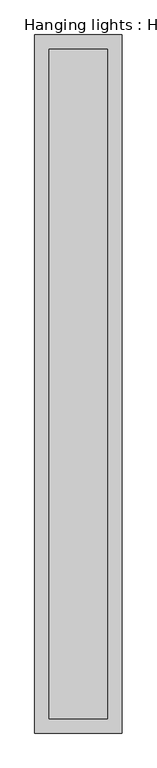
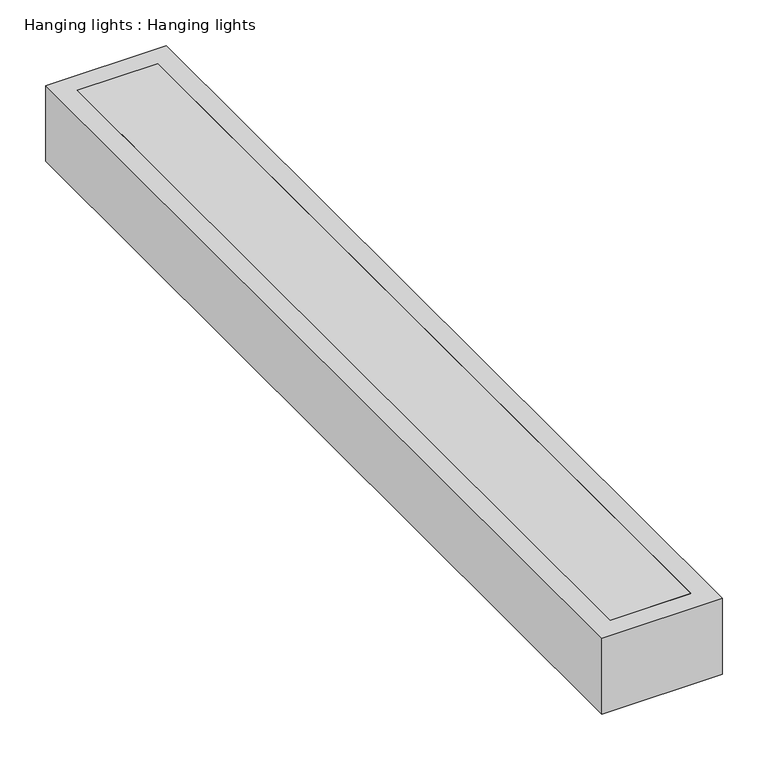
"""IFC4 building model written with IfcOpenShell, lengths in millimetres: proxy geometry, Hanging lights : Hanging lights."""

from ifc_helpers import new_model, si_unit, frame, origin, place, context, project, spatial, polyline, outline, extrude, source, transform, mapped, element, save


def hanging_lights_hanging_lights_f9c73ce3(model_context):
    return source(origin(), model_context, "Body", "SweptSolid", [
        extrude(outline(polyline([(50.8, 1193.8), (50.8, 25.4), (-50.8, 25.4), (-50.8, 1193.8), (50.8, 1193.8)])), frame((0.0, 0.0, 3098.8), z_axis=(0.0, 0.0, 1.0), x_axis=(1.0, 0.0, 0.0)), (0.0, 0.0, 1.0), 50.8),
        extrude(outline(polyline([(76.2, 0.0), (-76.2, 0.0), (-76.2, 1219.2), (76.2, 1219.2), (76.2, 0.0)]), holes=[polyline([(-50.8, 25.4), (50.8, 25.4), (50.8, 1193.8), (-50.8, 1193.8), (-50.8, 25.4)])]), frame((0.0, 0.0, 3048.0), z_axis=(0.0, 0.0, 1.0), x_axis=(1.0, 0.0, 0.0)), (0.0, 0.0, 1.0), 101.6),
    ])


if __name__ == "__main__":
    model = new_model("IFC4")
    model_context = context("Model", 3, world=origin())
    ifc_project = project(units=[si_unit("LENGTHUNIT", "METRE", prefix="MILLI")], contexts=[model_context])
    site = spatial("IfcSite", under=ifc_project)
    building = spatial("IfcBuilding", under=site)
    placement = place(None, origin())
    hanging_lights_hanging_lights_shape = hanging_lights_hanging_lights_f9c73ce3(model_context)
    element("IfcBuildingElementProxy", 1, Name="Hanging lights : Hanging lights", ObjectType="Hanging lights : Hanging lights", at=placement, inside=building, context=model_context, shape_type="MappedRepresentation", body=[
        mapped(hanging_lights_hanging_lights_shape, transform((0.0, 0.0, 0.0), x_axis=(1.0, 0.0, 0.0), y_axis=(0.0, 1.0, 0.0), z_axis=(0.0, 0.0, 1.0))),
    ])
    save(model, "model.ifc")
